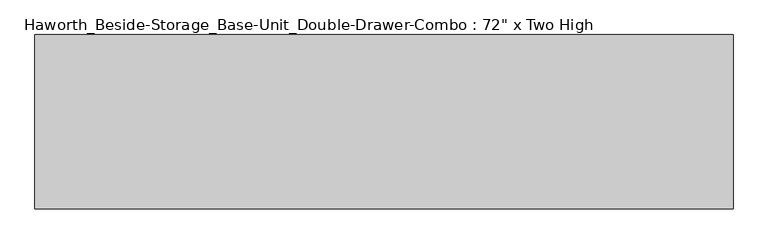
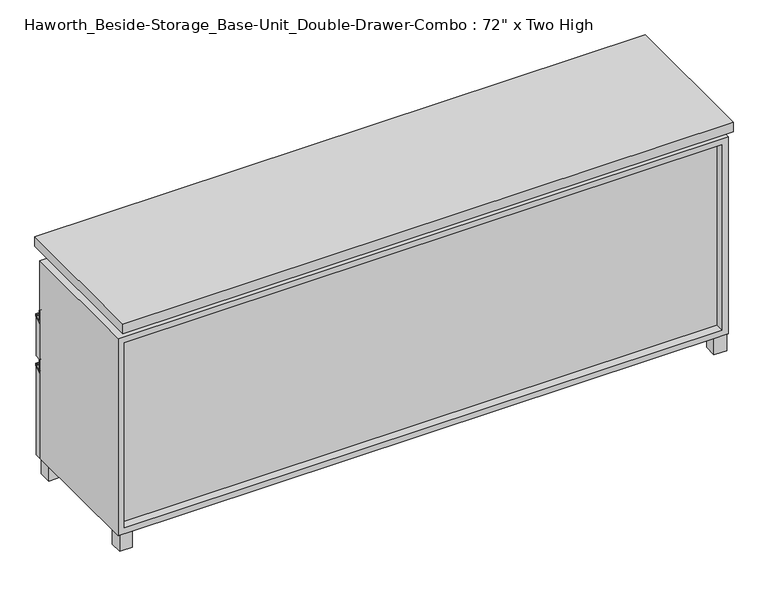
"""IFC4 building model written with IfcOpenShell, lengths in millimetres: furniture geometry."""

from ifc_helpers import new_model, si_unit, point, frame, frame_2d, origin, origin_with_axes, place, context, project, spatial, polyline, circle_curve, trimmed, segment, composite_curve, outline, extrude, source, transform, mapped, element, save


def furniture_edc41f8d(model_context):
    return source(origin(), model_context, "Body", "SweptSolid", [
        extrude(outline(polyline([(-9.5111094, -234.95), (-895.3361094, -234.95), (-895.3361094, 136.525), (-9.5111094, 136.525), (-9.5111094, -234.95)])), frame((0.0, 0.0, 510.38125), z_axis=(0.0, 0.0, 1.0), x_axis=(1.0, 0.0, 0.0)), (0.0, 0.0, 1.0), 19.05),
        extrude(outline(composite_curve([segment(polyline([(139.7, 477.04375), (139.7, 519.1125)]), True, "CONTINUOUS"), segment(trimmed(circle_curve(frame_2d((140.49375, 519.1125)), 0.79375), [point((139.7, 519.1125))], [point((141.2875, 519.1125))], False, "CARTESIAN"), True, "CONTINUOUS"), segment(polyline([(141.2875, 519.1125), (141.2875, 485.3354387)]), True, "CONTINUOUS"), segment(trimmed(circle_curve(frame_2d((144.4625, 485.3354387)), 3.175), [point((141.2875, 485.3354387))], [point((146.0622905, 482.5929407))], True, "CARTESIAN"), True, "CONTINUOUS"), segment(polyline([(146.0622905, 482.5929407), (157.9501047, 489.527499)]), True, "CONTINUOUS"), segment(trimmed(circle_curve(frame_2d((157.5501571, 490.2131235)), 0.79375), [point((157.9501047, 489.527499))], [point((158.3439071, 490.2131235))], True, "CARTESIAN"), True, "CONTINUOUS"), segment(polyline([(158.3439071, 490.2131235), (158.3439071, 495.3)]), True, "CONTINUOUS"), segment(trimmed(circle_curve(frame_2d((159.1376571, 495.3)), 0.79375), [point((158.3439071, 495.3))], [point((159.9314071, 495.3))], False, "CARTESIAN"), True, "CONTINUOUS"), segment(polyline([(159.9314071, 495.3), (159.9314071, 490.2131235)]), True, "CONTINUOUS"), segment(trimmed(circle_curve(frame_2d((157.5501571, 490.2131235)), 2.38125), [point((159.9314071, 490.2131235))], [point((158.75, 488.15625))], False, "CARTESIAN"), True, "CONTINUOUS"), segment(polyline([(158.75, 488.15625), (139.7, 477.04375)]), True, "CONTINUOUS")], self_intersect=False)), frame((-914.3861094, 0.0, 0.0), z_axis=(1.0, 0.0, 0.0), x_axis=(0.0, 1.0, 0.0)), (0.0, 0.0, 1.0), 923.925),
        extrude(outline(polyline([(139.7, 363.5375), (139.7, 477.04375), (158.75, 488.15625), (158.75, 363.5375), (139.7, 363.5375)])), frame((-914.3861094, 0.0, 0.0), z_axis=(1.0, 0.0, 0.0), x_axis=(0.0, 1.0, 0.0)), (0.0, 0.0, 1.0), 923.925),
        extrude(outline(composite_curve([segment(polyline([(139.7, 320.675), (139.7, 362.74375)]), True, "CONTINUOUS"), segment(trimmed(circle_curve(frame_2d((140.49375, 362.74375)), 0.79375), [point((139.7, 362.74375))], [point((141.2875, 362.74375))], False, "CARTESIAN"), True, "CONTINUOUS"), segment(polyline([(141.2875, 362.74375), (141.2875, 328.9666887)]), True, "CONTINUOUS"), segment(trimmed(circle_curve(frame_2d((144.4625, 328.9666887)), 3.175), [point((141.2875, 328.9666887))], [point((146.0622905, 326.2241907))], True, "CARTESIAN"), True, "CONTINUOUS"), segment(polyline([(146.0622905, 326.2241907), (157.9501047, 333.158749)]), True, "CONTINUOUS"), segment(trimmed(circle_curve(frame_2d((157.5501571, 333.8443735)), 0.79375), [point((157.9501047, 333.158749))], [point((158.3439071, 333.8443735))], True, "CARTESIAN"), True, "CONTINUOUS"), segment(polyline([(158.3439071, 333.8443735), (158.3439071, 338.93125)]), True, "CONTINUOUS"), segment(trimmed(circle_curve(frame_2d((159.1376571, 338.93125)), 0.79375), [point((158.3439071, 338.93125))], [point((159.9314071, 338.93125))], False, "CARTESIAN"), True, "CONTINUOUS"), segment(polyline([(159.9314071, 338.93125), (159.9314071, 333.8443735)]), True, "CONTINUOUS"), segment(trimmed(circle_curve(frame_2d((157.5501571, 333.8443735)), 2.38125), [point((159.9314071, 333.8443735))], [point((158.75, 331.7875))], False, "CARTESIAN"), True, "CONTINUOUS"), segment(polyline([(158.75, 331.7875), (139.7, 320.675)]), True, "CONTINUOUS")], self_intersect=False)), frame((-914.3861094, 0.0, 0.0), z_axis=(1.0, 0.0, 0.0), x_axis=(0.0, 1.0, 0.0)), (0.0, 0.0, 1.0), 923.925),
        extrude(outline(polyline([(139.7, 50.8), (139.7, 320.675), (158.75, 331.7875), (158.75, 50.8), (139.7, 50.8)])), frame((-914.3861094, 0.0, 0.0), z_axis=(1.0, 0.0, 0.0), x_axis=(0.0, 1.0, 0.0)), (0.0, 0.0, 1.0), 923.925),
        extrude(outline(polyline([(895.3569453, -234.95), (9.5319453, -234.95), (9.5319453, 136.525), (895.3569453, 136.525), (895.3569453, -234.95)])), frame((0.0, 0.0, 354.0125), z_axis=(0.0, 0.0, 1.0), x_axis=(1.0, 0.0, 0.0)), (0.0, 0.0, 1.0), 19.05),
        extrude(outline(polyline([(-19.0361094, -95.25), (-19.0361094, -57.15), (19.0638906, -57.15), (19.0638906, -95.25), (-19.0361094, -95.25)])), origin_with_axes(), (0.0, 0.0, 1.0), 50.8),
        extrude(outline(polyline([(914.4138906, -292.1), (-914.3861094, -292.1), (-914.3861094, 165.1), (914.4138906, 165.1), (914.4138906, -292.1)])), frame((0.0, 0.0, 706.4375), z_axis=(0.0, 0.0, 1.0), x_axis=(1.0, 0.0, 0.0)), (0.0, 0.0, 1.0), 30.1625),
        extrude(outline(polyline([(871.5513906, 101.6), (871.5513906, 139.7), (909.6513906, 139.7), (909.6513906, 101.6), (871.5513906, 101.6)])), origin_with_axes(), (0.0, 0.0, 1.0), 50.8),
        extrude(outline(polyline([(871.5513906, -228.6), (909.6513906, -228.6), (909.6513906, -266.7), (871.5513906, -266.7), (871.5513906, -228.6)])), origin_with_axes(), (0.0, 0.0, 1.0), 50.8),
        extrude(outline(polyline([(-871.5236094, 101.6), (-909.6236094, 101.6), (-909.6236094, 139.7), (-871.5236094, 139.7), (-871.5236094, 101.6)])), origin_with_axes(), (0.0, 0.0, 1.0), 50.8),
        extrude(outline(polyline([(-871.5236094, -228.6), (-871.5236094, -266.7), (-909.6236094, -266.7), (-909.6236094, -228.6), (-871.5236094, -228.6)])), origin_with_axes(), (0.0, 0.0, 1.0), 50.8),
        extrude(outline(polyline([(-888.9791641, 133.35), (-873.1041641, 133.35), (-873.1041641, -53.975), (-7.9236094, -53.975), (-7.9236094, 120.65), (7.9513906, 120.65), (7.9513906, -53.975), (873.1111094, -53.975), (873.1111094, 120.65), (888.9861094, 120.65), (888.9861094, -247.65), (873.1111094, -247.65), (873.1111094, -73.025), (7.9513906, -73.025), (7.9513906, -247.65), (-7.9236094, -247.65), (-7.9236094, -73.025), (-873.1041641, -73.025), (-873.1041641, -234.95), (-888.9791641, -234.95), (-888.9791641, 133.35)])), frame((0.0, 0.0, 676.275), z_axis=(0.0, 0.0, 1.0), x_axis=(1.0, 0.0, 0.0)), (0.0, 0.0, 1.0), 30.1625),
        extrude(outline(polyline([(9.5388906, -234.95), (-9.5111094, -234.95), (-9.5111094, 139.7), (9.5388906, 139.7), (9.5388906, -234.95)])), frame((0.0, 0.0, 69.85), z_axis=(0.0, 0.0, 1.0), x_axis=(1.0, 0.0, 0.0)), (0.0, 0.0, 1.0), 587.375),
        extrude(outline(polyline([(50.8, -914.3861094), (50.8, 914.4), (676.275, 914.4), (676.275, -914.3861094), (50.8, -914.3861094)]), holes=[polyline([(69.85, -895.3361094), (657.225, -895.3361094), (657.225, 895.3361094), (69.85, 895.3361094), (69.85, -895.3361094)])]), frame((0.0, -266.7, 0.0), z_axis=(0.0, 1.0, 0.0), x_axis=(0.0, 0.0, 1.0)), (0.0, 0.0, 1.0), 406.4),
        extrude(outline(polyline([(-895.3291641, -234.95), (895.3569453, -234.95), (895.3569453, -241.3), (-895.3291641, -241.3), (-895.3291641, -234.95)])), frame((0.0, 0.0, 69.85), z_axis=(0.0, 0.0, 1.0), x_axis=(1.0, 0.0, 0.0)), (0.0, 0.0, 1.0), 587.375),
    ])


if __name__ == "__main__":
    model = new_model("IFC4")
    model_context = context("Model", 3, world=origin())
    ifc_project = project(units=[si_unit("LENGTHUNIT", "METRE", prefix="MILLI")], contexts=[model_context])
    site = spatial("IfcSite", under=ifc_project)
    building = spatial("IfcBuilding", under=site)
    placement = place(None, origin())
    furniture_shape = furniture_edc41f8d(model_context)
    element("IfcFurniture", 1, ObjectType="Haworth_Beside-Storage_Base-Unit_Double-Drawer-Combo : 72\" x Two High", at=placement, inside=building, context=model_context, shape_type="MappedRepresentation", body=[
        mapped(furniture_shape, transform((0.0, 0.0, 0.0), x_axis=(1.0, 0.0, 0.0), y_axis=(0.0, 1.0, 0.0), z_axis=(0.0, 0.0, 1.0))),
    ])
    save(model, "model.ifc")
